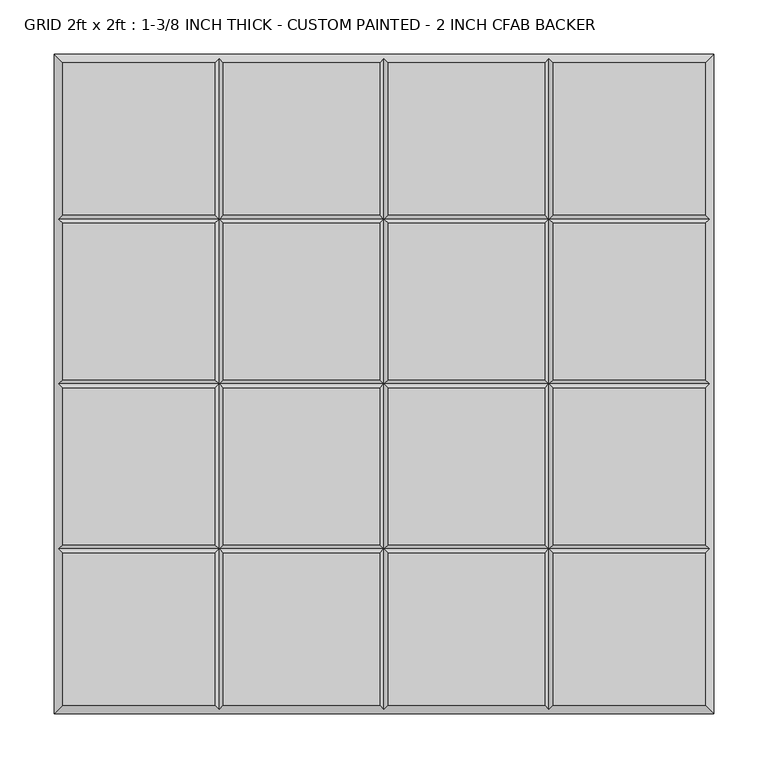
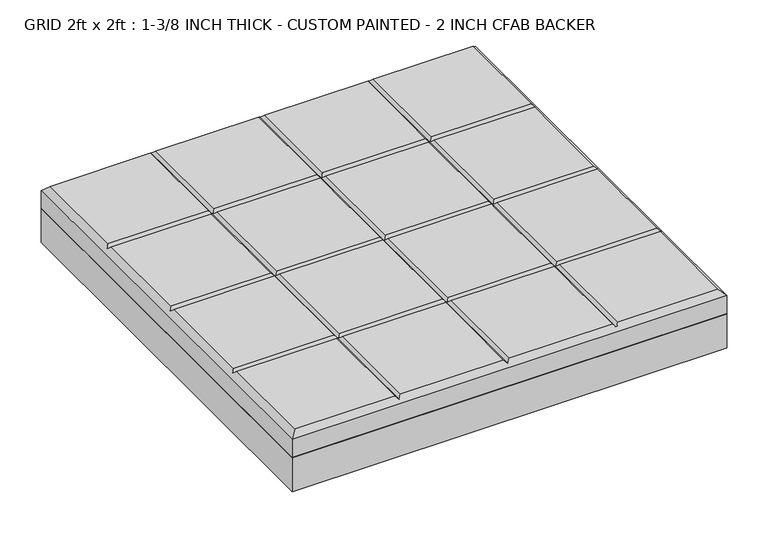
"""IFC4 building model written with IfcOpenShell, lengths in millimetres: proxy geometry, GRID 2ft x 2ft : 1-3/8 INCH THICK - CUSTOM PAINTED - 2 INCH CFAB BACKER."""

from ifc_helpers import new_model, si_unit, frame, origin, place, context, project, spatial, polyline, outline, extrude, faceted_brep, source, transform, mapped, element, save


def grid_2ft_x_2ft_1_3_8_inch_thick_custom_painted_2_inch_cfab_7c820e9e(model_context):
    return source(origin(), model_context, "Body", "SolidModel", [
        extrude(outline(polyline([(-304.8, 304.8), (304.8, 304.8), (304.8, -304.8), (-304.8, -304.8), (-304.8, 304.8)])), frame((0.0, 0.0, -50.8), z_axis=(0.0, 0.0, 1.0), x_axis=(1.0, 0.0, 0.0)), (0.0, 0.0, 1.0), 50.8),
        faceted_brep([(-156.4009826, 296.799, 34.925), (-296.799, 296.799, 34.925), (-296.799, 156.4005254, 34.925), (-156.4009826, 156.4005254, 34.925), (-296.799, -296.799, 34.925), (-156.4009826, -296.799, 34.925), (-156.4009826, -156.4004746, 34.925), (-296.799, -156.4004746, 34.925), (-4.0004746, 296.799, 34.925), (-148.3999826, 296.799, 34.925), (-148.3999826, 156.4005254, 34.925), (-4.0004746, 156.4005254, 34.925), (-148.3999826, -296.799, 34.925), (-4.0004746, -296.799, 34.925), (-4.0004746, -156.4004746, 34.925), (-148.3999826, -156.4004746, 34.925), (296.799, 296.799, 34.925), (156.4010334, 296.799, 34.925), (156.4010334, 156.4005254, 34.925), (296.799, 156.4005254, 34.925), (148.4000334, 296.799, 34.925), (4.0005254, 296.799, 34.925), (4.0005254, 156.4005254, 34.925), (148.4000334, 156.4005254, 34.925), (156.4010334, -296.799, 34.925), (296.799, -296.799, 34.925), (296.799, -156.4004746, 34.925), (156.4010334, -156.4004746, 34.925), (4.0005254, -296.799, 34.925), (148.4000334, -296.799, 34.925), (148.4000334, -156.4004746, 34.925), (4.0005254, -156.4004746, 34.925), (-156.4009826, 148.3995254, 34.925), (-296.799, 148.3995254, 34.925), (-296.799, 4.0005254, 34.925), (-156.4009826, 4.0005254, 34.925), (296.799, 148.3995254, 34.925), (156.4010334, 148.3995254, 34.925), (156.4010334, 4.0005254, 34.925), (296.799, 4.0005254, 34.925), (-4.0004746, 148.3995254, 34.925), (-148.3999826, 148.3995254, 34.925), (-148.3999826, 4.0005254, 34.925), (-4.0004746, 4.0005254, 34.925), (148.4000334, 148.3995254, 34.925), (4.0005254, 148.3995254, 34.925), (4.0005254, 4.0005254, 34.925), (148.4000334, 4.0005254, 34.925), (-296.799, -148.3994746, 34.925), (-156.4009826, -148.3994746, 34.925), (-156.4009826, -4.0004746, 34.925), (-296.799, -4.0004746, 34.925), (-148.3999826, -148.3994746, 34.925), (-4.0004746, -148.3994746, 34.925), (-4.0004746, -4.0004746, 34.925), (-148.3999826, -4.0004746, 34.925), (156.4010334, -148.3994746, 34.925), (296.799, -148.3994746, 34.925), (296.799, -4.0004746, 34.925), (156.4010334, -4.0004746, 34.925), (4.0005254, -148.3994746, 34.925), (148.4000334, -148.3994746, 34.925), (148.4000334, -4.0004746, 34.925), (4.0005254, -4.0004746, 34.925), (-304.8, 304.8, 0.0), (304.8, 304.8, 0.0), (304.8, -304.8, 0.0), (-304.8, -304.8, 0.0), (-304.8, -304.8, 26.924), (-304.8, 304.8, 26.924), (304.8, -304.8, 26.924), (304.8, 304.8, 26.924), (-152.4004826, 300.7995, 30.9245), (2.54e-05, 300.7995, 30.9245), (152.4005334, 300.7995, 30.9245), (-300.7995, -152.3999746, 30.9245), (-300.7995, 2.54e-05, 30.9245), (-300.7995, 152.4000254, 30.9245), (152.4005334, -300.7995, 30.9245), (2.54e-05, -300.7995, 30.9245), (-152.4004826, -300.7995, 30.9245), (300.7995, 152.4000254, 30.9245), (300.7995, 2.54e-05, 30.9245), (300.7995, -152.3999746, 30.9245), (-152.4004826, 152.4000254, 30.9245), (-152.4004826, -152.3999746, 30.9245), (-152.4004826, 2.54e-05, 30.9245), (2.54e-05, 152.4000254, 30.9245), (2.54e-05, -152.3999746, 30.9245), (2.54e-05, 2.54e-05, 30.9245), (152.4005334, 152.4000254, 30.9245), (152.4005334, -152.3999746, 30.9245), (152.4005334, 2.54e-05, 30.9245)], [[[0, 1, 2, 3]], [[4, 5, 6, 7]], [[8, 9, 10, 11]], [[12, 13, 14, 15]], [[16, 17, 18, 19]], [[20, 21, 22, 23]], [[24, 25, 26, 27]], [[28, 29, 30, 31]], [[32, 33, 34, 35]], [[36, 37, 38, 39]], [[40, 41, 42, 43]], [[44, 45, 46, 47]], [[48, 49, 50, 51]], [[52, 53, 54, 55]], [[56, 57, 58, 59]], [[60, 61, 62, 63]], [[64, 65, 66, 67]], [[64, 67, 68, 69]], [[67, 66, 70, 68]], [[66, 65, 71, 70]], [[65, 64, 69, 71]], [[69, 1, 0, 72, 9, 8, 73, 21, 20, 74, 17, 16, 71]], [[1, 69, 68, 4, 7, 75, 48, 51, 76, 34, 33, 77, 2]], [[4, 68, 70, 25, 24, 78, 29, 28, 79, 13, 12, 80, 5]], [[71, 16, 19, 81, 36, 39, 82, 58, 57, 83, 26, 25, 70]], [[9, 72, 84, 10]], [[80, 12, 15, 85]], [[41, 84, 86, 42]], [[85, 52, 55, 86]], [[72, 0, 3, 84]], [[5, 80, 85, 6]], [[84, 32, 35, 86]], [[49, 85, 86, 50]], [[21, 73, 87, 22]], [[79, 28, 31, 88]], [[45, 87, 89, 46]], [[88, 60, 63, 89]], [[73, 8, 11, 87]], [[13, 79, 88, 14]], [[87, 40, 43, 89]], [[53, 88, 89, 54]], [[17, 74, 90, 18]], [[78, 24, 27, 91]], [[37, 90, 92, 38]], [[91, 56, 59, 92]], [[74, 20, 23, 90]], [[29, 78, 91, 30]], [[90, 44, 47, 92]], [[61, 91, 92, 62]], [[87, 84, 41, 40]], [[90, 87, 45, 44]], [[84, 77, 33, 32]], [[81, 90, 37, 36]], [[84, 87, 11, 10]], [[87, 90, 23, 22]], [[77, 84, 3, 2]], [[90, 81, 19, 18]], [[88, 85, 15, 14]], [[91, 88, 31, 30]], [[85, 75, 7, 6]], [[83, 91, 27, 26]], [[85, 88, 53, 52]], [[88, 91, 61, 60]], [[75, 85, 49, 48]], [[91, 83, 57, 56]], [[89, 86, 55, 54]], [[92, 89, 63, 62]], [[86, 76, 51, 50]], [[82, 92, 59, 58]], [[86, 89, 43, 42]], [[89, 92, 47, 46]], [[76, 86, 35, 34]], [[92, 82, 39, 38]]]),
    ])


if __name__ == "__main__":
    model = new_model("IFC4")
    model_context = context("Model", 3, world=origin())
    ifc_project = project(units=[si_unit("LENGTHUNIT", "METRE", prefix="MILLI")], contexts=[model_context])
    site = spatial("IfcSite", under=ifc_project)
    building = spatial("IfcBuilding", under=site)
    placement = place(None, origin())
    grid_2ft_x_2ft_1_3_8_inch_thick_custom_painted_2_inch_cfab_shape = grid_2ft_x_2ft_1_3_8_inch_thick_custom_painted_2_inch_cfab_7c820e9e(model_context)
    element("IfcBuildingElementProxy", 1, Name="GRID 2ft x 2ft : 1-3/8 INCH THICK - CUSTOM PAINTED - 2 INCH CFAB BACKER", ObjectType="GRID 2ft x 2ft : 1-3/8 INCH THICK - CUSTOM PAINTED - 2 INCH CFAB BACKER", at=placement, inside=building, context=model_context, shape_type="MappedRepresentation", body=[
        mapped(grid_2ft_x_2ft_1_3_8_inch_thick_custom_painted_2_inch_cfab_shape, transform((0.0, 0.0, 0.0), x_axis=(1.0, 0.0, 0.0), y_axis=(0.0, 1.0, 0.0), z_axis=(0.0, 0.0, 1.0))),
    ])
    save(model, "model.ifc")
